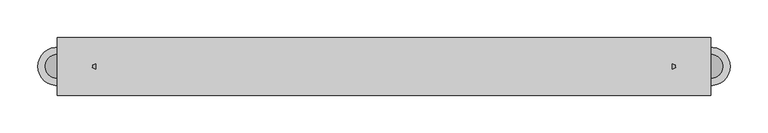
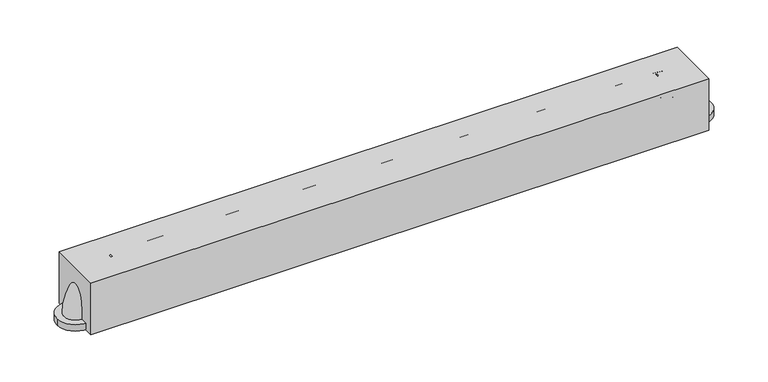
"""IFC4 building model written with IfcOpenShell, lengths in millimetres: proxy geometry."""

from ifc_helpers import new_model, si_unit, point, frame, frame_2d, origin, origin_with_axes, place, context, project, spatial, polyline, circle_curve, ellipse_curve, trimmed, segment, composite_curve, outline, extrude, source, transform, mapped, element, save
from ifc_brep_helpers import plane_surface, revolved_surface, advanced_brep


def specialty_equipment_42bb13b5(model_context):
    return source(origin(), model_context, "Body", "SolidModel", [
        advanced_brep(
        [(381.0, -15.875, 60.325), (381.0, 15.875, 60.325), (431.8, -15.875, 9.525), (431.8, 15.875, 9.525)],
        [
            (0, 1, circle_curve(frame((381.0, 0.0, 60.325), z_axis=(-1.0, 0.0, 0.0), x_axis=(0.0, 1.0, 0.0)), 15.875)),
            (1, 0, circle_curve(frame((381.0, 0.0, 60.325), z_axis=(-1.0, 0.0, 0.0), x_axis=(0.0, 1.0, 0.0)), 15.875)),
            (2, 3, circle_curve(frame((431.8, 0.0, 9.525), z_axis=(0.0, 0.0, -1.0), x_axis=(0.0, 1.0, 0.0)), 15.875)),
            (3, 2, circle_curve(frame((431.8, 0.0, 9.525), z_axis=(0.0, 0.0, -1.0), x_axis=(0.0, 1.0, 0.0)), 15.875)),
            (3, 1, circle_curve(frame((381.0, 15.875, 9.525), z_axis=(0.0, -1.0, 0.0), x_axis=(0.0, 0.0, 1.0)), 50.8)),
            (0, 2, circle_curve(frame((381.0, -15.875, 9.525), z_axis=(0.0, 1.0, 0.0), x_axis=(0.0, 0.0, 1.0)), 50.8)),
        ],
        [
            plane_surface(frame((381.0, 0.0, 60.325), z_axis=(-1.0, 0.0, 0.0), x_axis=(0.0, 1.0, 0.0))),
            plane_surface(frame((431.8, 0.0, 9.525), z_axis=(0.0, 0.0, -1.0), x_axis=(0.0, 1.0, 0.0))),
            revolved_surface(trimmed(ellipse_curve(frame((381.0, 0.0, 60.325), z_axis=(-1.0, 0.0, 0.0), x_axis=(0.0, 1.0, 0.0)), 15.875, 15.875), [point((381.0, -15.875, 60.325))], [point((381.0, 15.875, 60.325))], True, "CARTESIAN"), (381.0, 0.0, 9.525), (0.0, 1.0, 0.0)),
            revolved_surface(trimmed(ellipse_curve(frame((381.0, 0.0, 60.325), z_axis=(-1.0, 0.0, 0.0), x_axis=(0.0, 1.0, 0.0)), 15.875, 15.875), [point((381.0, 15.875, 60.325))], [point((381.0, -15.875, 60.325))], True, "CARTESIAN"), (381.0, 0.0, 9.525), (0.0, 1.0, 0.0)),
        ],
        [
            (0, [[1, 2]]),
            (1, [[3, 4]]),
            (2, [[5, -1, 6, -4]]),
            (3, [[-6, -2, -5, -3]]),
        ],
    ),
        extrude(outline(composite_curve([segment(trimmed(circle_curve(frame_2d((431.8, 0.0)), 25.4), [point((457.2, 0.0))], [point((406.4, 0.0))], False, "CARTESIAN"), True, "CONTINUOUS"), segment(trimmed(circle_curve(frame_2d((431.8, 0.0)), 25.4), [point((406.4, 0.0))], [point((457.2, 0.0))], False, "CARTESIAN"), True, "CONTINUOUS")], self_intersect=False)), origin_with_axes(), (0.0, 0.0, 1.0), 9.525),
        advanced_brep(
        [(-381.0, -15.875, 60.325), (-381.0, 15.875, 60.325), (-431.8, -15.875, 9.525), (-431.8, 15.875, 9.525)],
        [
            (0, 1, circle_curve(frame((-381.0, 0.0, 60.325), z_axis=(1.0, 0.0, 0.0), x_axis=(0.0, 1.0, 0.0)), 15.875)),
            (1, 0, circle_curve(frame((-381.0, 0.0, 60.325), z_axis=(1.0, 0.0, 0.0), x_axis=(0.0, 1.0, 0.0)), 15.875)),
            (2, 3, circle_curve(frame((-431.8, 0.0, 9.525), z_axis=(0.0, 0.0, -1.0), x_axis=(0.0, 1.0, 0.0)), 15.875)),
            (3, 2, circle_curve(frame((-431.8, 0.0, 9.525), z_axis=(0.0, 0.0, -1.0), x_axis=(0.0, 1.0, 0.0)), 15.875)),
            (2, 0, circle_curve(frame((-381.0, -15.875, 9.525), z_axis=(0.0, 1.0, 0.0), x_axis=(0.0, 0.0, 1.0)), 50.8)),
            (1, 3, circle_curve(frame((-381.0, 15.875, 9.525), z_axis=(0.0, -1.0, 0.0), x_axis=(0.0, 0.0, 1.0)), 50.8)),
        ],
        [
            plane_surface(frame((-381.0, 0.0, 60.325), z_axis=(1.0, 0.0, 0.0), x_axis=(0.0, 1.0, 0.0))),
            plane_surface(frame((-431.8, 0.0, 9.525), z_axis=(0.0, 0.0, -1.0), x_axis=(0.0, 1.0, 0.0))),
            revolved_surface(trimmed(ellipse_curve(frame((-381.0, 0.0, 60.325), z_axis=(-1.0, 0.0, 0.0), x_axis=(0.0, 1.0, 0.0)), 15.875, 15.875), [point((-381.0, -15.875, 60.325))], [point((-381.0, 15.875, 60.325))], True, "CARTESIAN"), (-381.0, 0.0, 9.525), (0.0, 1.0, 0.0)),
            revolved_surface(trimmed(ellipse_curve(frame((-381.0, 0.0, 60.325), z_axis=(-1.0, 0.0, 0.0), x_axis=(0.0, 1.0, 0.0)), 15.875, 15.875), [point((-381.0, 15.875, 60.325))], [point((-381.0, -15.875, 60.325))], True, "CARTESIAN"), (-381.0, 0.0, 9.525), (0.0, 1.0, 0.0)),
        ],
        [
            (0, [[1, 2]]),
            (1, [[3, 4]]),
            (2, [[-3, 5, -2, 6]]),
            (3, [[-4, -6, -1, -5]]),
        ],
    ),
        extrude(outline(composite_curve([segment(trimmed(circle_curve(frame_2d((-431.8, 0.0)), 25.4), [point((-457.2, 0.0))], [point((-406.4, 0.0))], False, "CARTESIAN"), True, "CONTINUOUS"), segment(trimmed(circle_curve(frame_2d((-431.8, 0.0)), 25.4), [point((-406.4, 0.0))], [point((-457.2, 0.0))], False, "CARTESIAN"), True, "CONTINUOUS")], self_intersect=False)), origin_with_axes(), (0.0, 0.0, 1.0), 9.525),
        extrude(outline(polyline([(431.8, 38.1), (431.8, -38.1), (-431.8, -38.1), (-431.8, 38.1), (431.8, 38.1)])), origin_with_axes(), (0.0, 0.0, 1.0), 76.2),
        extrude(outline(composite_curve([segment(trimmed(circle_curve(frame_2d((0.0, 60.325)), 15.875), [point((15.875, 60.325))], [point((-15.875, 60.325))], False, "CARTESIAN"), True, "CONTINUOUS"), segment(trimmed(circle_curve(frame_2d((0.0, 60.325)), 15.875), [point((-15.875, 60.325))], [point((15.875, 60.325))], False, "CARTESIAN"), True, "CONTINUOUS")], self_intersect=False)), frame((-381.0, 0.0, 0.0), z_axis=(1.0, 0.0, 0.0), x_axis=(0.0, 1.0, 0.0)), (0.0, 0.0, 1.0), 762.0),
    ])


if __name__ == "__main__":
    model = new_model("IFC4")
    model_context = context("Model", 3, world=origin())
    ifc_project = project(units=[si_unit("LENGTHUNIT", "METRE", prefix="MILLI")], contexts=[model_context])
    site = spatial("IfcSite", under=ifc_project)
    building = spatial("IfcBuilding", under=site)
    placement = place(None, origin())
    specialty_equipment_shape = specialty_equipment_42bb13b5(model_context)
    element("IfcBuildingElementProxy", 1, Name="Specialty Equipment", at=placement, inside=building, context=model_context, shape_type="MappedRepresentation", body=[
        mapped(specialty_equipment_shape, transform((0.0, 0.0, 0.0), x_axis=(1.0, 0.0, 0.0), y_axis=(0.0, 1.0, 0.0), z_axis=(0.0, 0.0, 1.0))),
    ])
    save(model, "model.ifc")
